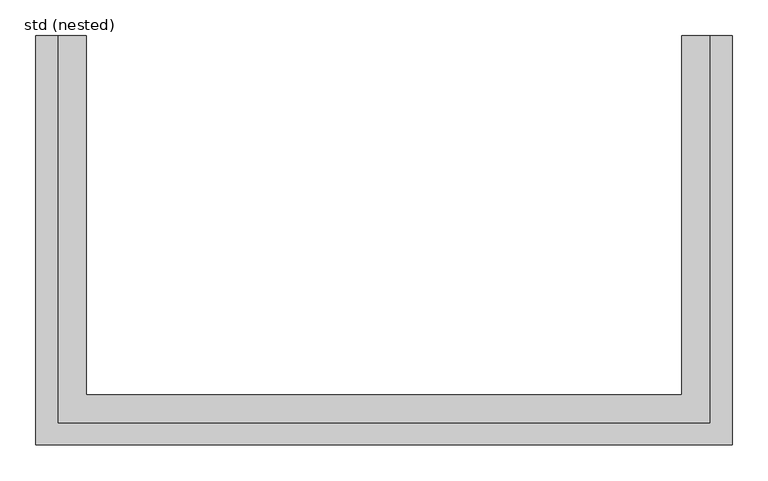
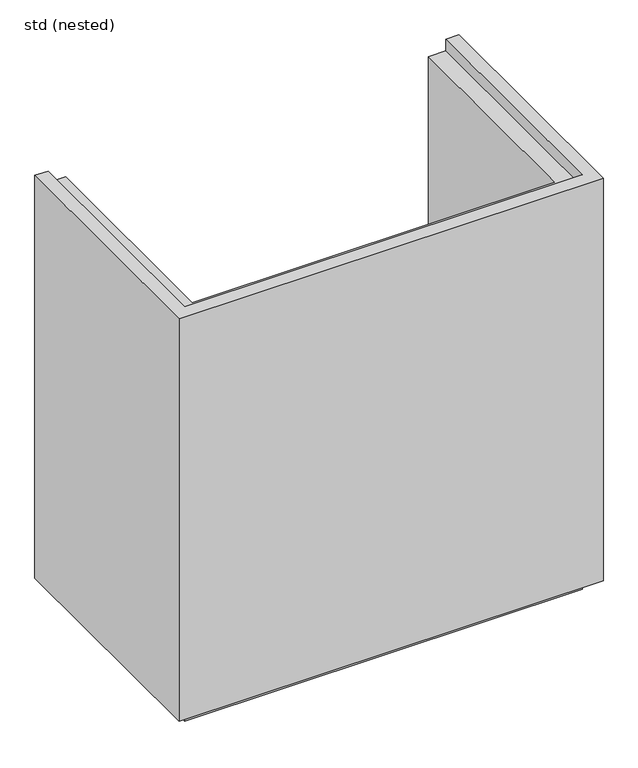
"""IFC4 building model written with IfcOpenShell, lengths in millimetres: proxy geometry, std (nested)."""

from ifc_helpers import new_model, si_unit, origin, place, context, project, spatial, faceted_brep, source, transform, mapped, element, save


def std_nested_470c95e6(model_context):
    return source(origin(), model_context, "Body", "Brep", [
        faceted_brep([(-454.0, 0.0, 28.0), (-484.5, 0.0, 28.0), (-484.5, 0.0, 1000.0), (-454.0, 0.0, 1000.0), (-454.0, 0.0, 972.0), (-414.5, 0.0, 972.0), (-414.5, 0.0, 0.0), (-454.0, 0.0, 0.0), (-454.0, -539.5, 28.0), (454.0, -539.5, 28.0), (454.0, 0.0, 28.0), (484.5, 0.0, 28.0), (484.5, -570.0, 28.0), (-484.5, -570.0, 28.0), (-484.5, -570.0, 1000.0), (484.5, -570.0, 1000.0), (484.5, 0.0, 1000.0), (454.0, 0.0, 1000.0), (454.0, -539.5, 1000.0), (-454.0, -539.5, 1000.0), (-454.0, -539.5, 972.0), (454.0, -539.5, 972.0), (454.0, 0.0, 972.0), (414.5, 0.0, 972.0), (414.5, -500.0, 972.0), (-414.5, -500.0, 972.0), (-414.5, -500.0, 0.0), (414.5, -500.0, 0.0), (454.0, 0.0, 0.0), (414.5, 0.0, 0.0), (454.0, -539.5, 0.0), (-454.0, -539.5, 0.0)], [[[0, 1, 2, 3, 4, 5, 6, 7]], [[1, 0, 8, 9, 10, 11, 12, 13]], [[2, 1, 13, 14]], [[3, 2, 14, 15, 16, 17, 18, 19]], [[4, 3, 19, 20]], [[5, 4, 20, 21, 22, 23, 24, 25]], [[6, 5, 25, 26]], [[14, 13, 12, 15]], [[20, 19, 18, 21]], [[26, 25, 24, 27]], [[10, 28, 29, 23, 22, 17, 16, 11]], [[15, 12, 11, 16]], [[21, 18, 17, 22]], [[27, 24, 23, 29]], [[7, 6, 26, 27, 29, 28, 30, 31]], [[0, 7, 31, 8]], [[8, 31, 30, 9]], [[9, 30, 28, 10]]]),
    ])


if __name__ == "__main__":
    model = new_model("IFC4")
    model_context = context("Model", 3, world=origin())
    ifc_project = project(units=[si_unit("LENGTHUNIT", "METRE", prefix="MILLI")], contexts=[model_context])
    site = spatial("IfcSite", under=ifc_project)
    building = spatial("IfcBuilding", under=site)
    placement = place(None, origin())
    std_nested_shape = std_nested_470c95e6(model_context)
    element("IfcBuildingElementProxy", 1, Name="std (nested)", ObjectType="std (nested)", at=placement, inside=building, context=model_context, shape_type="MappedRepresentation", body=[
        mapped(std_nested_shape, transform((0.0, 0.0, 0.0), x_axis=(1.0, 0.0, 0.0), y_axis=(0.0, 1.0, 0.0), z_axis=(0.0, 0.0, 1.0))),
    ])
    save(model, "model.ifc")
